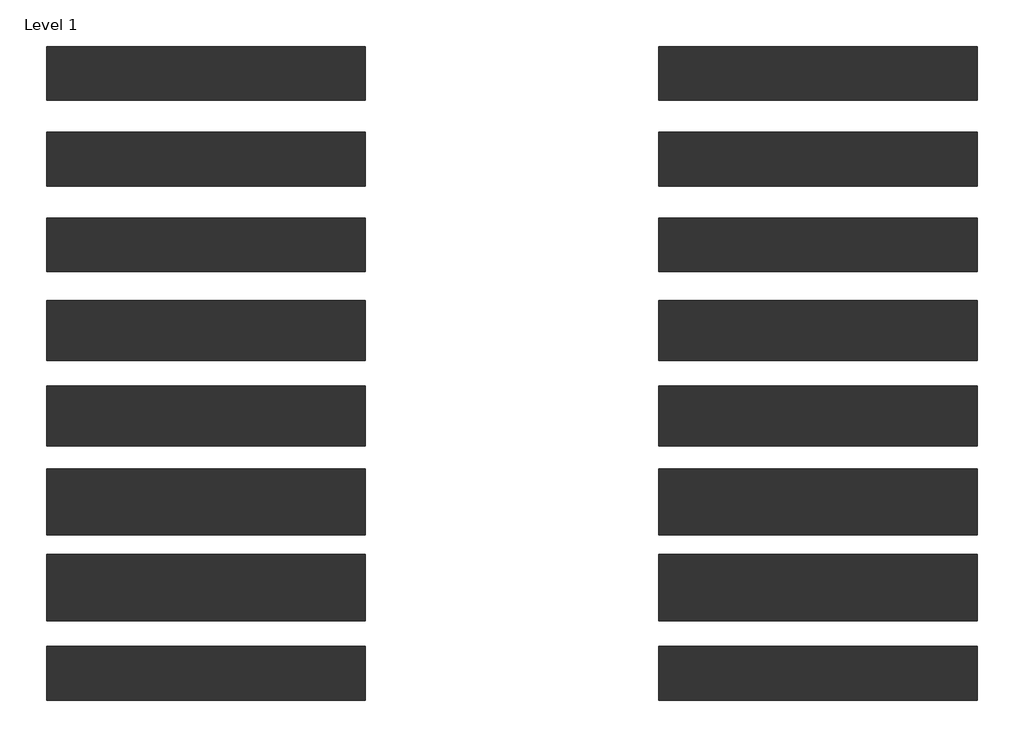
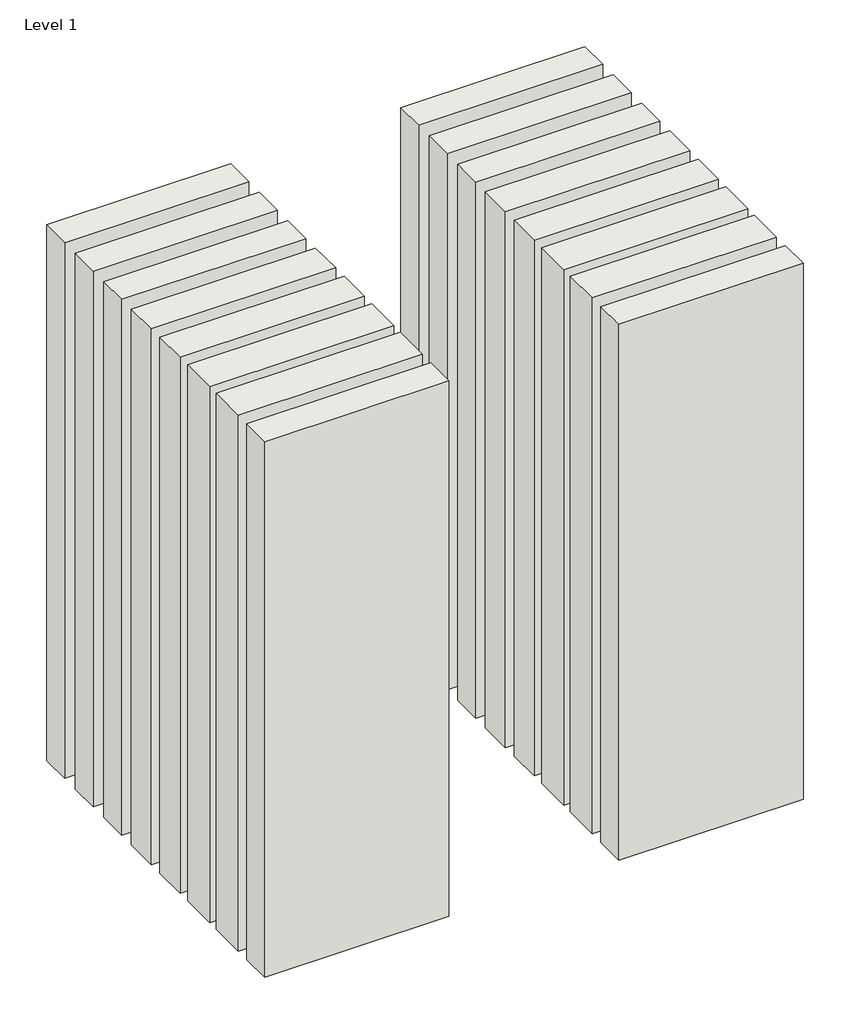
# One storey: 16 walls.
"""IFC4 building model written with IfcOpenShell, lengths in millimetres."""

from ifc_helpers import new_model, si_unit, origin, origin_with_axes, place, context, project, spatial, polyline, outline, extrude, element, save

model = new_model("IFC4")

# Units and contexts
model_context = context("Model", 3, world=origin())
ifc_project = project(units=[si_unit("LENGTHUNIT", "METRE", prefix="MILLI")], contexts=[model_context])

# Site, building, storey
site = spatial("IfcSite", under=ifc_project)
building = spatial("IfcBuilding", under=site)
storey = spatial("IfcBuildingStorey", under=building, Name="Level 1", Elevation=0.0)

# Walls
placement = place(None, origin())
element("IfcWall", 1, at=placement, inside=storey, context=model_context, shape_type="SweptSolid", body=[
    extrude(outline(polyline([(-16904.1464237, 2116.4042935), (-19504.1464237, 2116.4042935), (-19504.1464237, 2556.4042935), (-16904.1464237, 2556.4042935), (-16904.1464237, 2116.4042935)])), origin_with_axes(), (0.0, 0.0, 1.0), 8000.0),
])
element("IfcWall", 2, at=placement, inside=storey, context=model_context, shape_type="SweptSolid", body=[
    extrude(outline(polyline([(-16904.1464237, 3516.4042935), (-19504.1464237, 3516.4042935), (-19504.1464237, 3956.4042935), (-16904.1464237, 3956.4042935), (-16904.1464237, 3516.4042935)])), origin_with_axes(), (0.0, 0.0, 1.0), 8000.0),
])
element("IfcWall", 3, at=placement, inside=storey, context=model_context, shape_type="SweptSolid", body=[
    extrude(outline(polyline([(-16904.1464237, 2816.4042935), (-19504.1464237, 2816.4042935), (-19504.1464237, 3256.4042935), (-16904.1464237, 3256.4042935), (-16904.1464237, 2816.4042935)])), origin_with_axes(), (0.0, 0.0, 1.0), 8000.0),
])
element("IfcWall", 4, at=placement, inside=storey, context=model_context, shape_type="SweptSolid", body=[
    extrude(outline(polyline([(-16904.1464237, 1391.4042935), (-19504.1464237, 1391.4042935), (-19504.1464237, 1881.4042935), (-16904.1464237, 1881.4042935), (-16904.1464237, 1391.4042935)])), origin_with_axes(), (0.0, 0.0, 1.0), 8000.0),
])
element("IfcWall", 5, at=placement, inside=storey, context=model_context, shape_type="SweptSolid", body=[
    extrude(outline(polyline([(-11904.1464237, 3516.4042935), (-14504.1464237, 3516.4042935), (-14504.1464237, 3956.4042935), (-11904.1464237, 3956.4042935), (-11904.1464237, 3516.4042935)])), origin_with_axes(), (0.0, 0.0, 1.0), 8000.0),
])
element("IfcWall", 6, at=placement, inside=storey, context=model_context, shape_type="SweptSolid", body=[
    extrude(outline(polyline([(-16904.1464237, 691.4042935), (-19504.1464237, 691.4042935), (-19504.1464237, 1181.4042935), (-16904.1464237, 1181.4042935), (-16904.1464237, 691.4042935)])), origin_with_axes(), (0.0, 0.0, 1.0), 8000.0),
])
element("IfcWall", 7, at=placement, inside=storey, context=model_context, shape_type="SweptSolid", body=[
    extrude(outline(polyline([(-16904.1464237, -33.5957065), (-19504.1464237, -33.5957065), (-19504.1464237, 506.4042935), (-16904.1464237, 506.4042935), (-16904.1464237, -33.5957065)])), origin_with_axes(), (0.0, 0.0, 1.0), 8000.0),
])
element("IfcWall", 8, at=placement, inside=storey, context=model_context, shape_type="SweptSolid", body=[
    extrude(outline(polyline([(-16904.1464237, -733.5957065), (-19504.1464237, -733.5957065), (-19504.1464237, -193.5957065), (-16904.1464237, -193.5957065), (-16904.1464237, -733.5957065)])), origin_with_axes(), (0.0, 0.0, 1.0), 8000.0),
])
element("IfcWall", 9, at=placement, inside=storey, context=model_context, shape_type="SweptSolid", body=[
    extrude(outline(polyline([(-16904.1464237, -1383.5957065), (-19504.1464237, -1383.5957065), (-19504.1464237, -943.5957065), (-16904.1464237, -943.5957065), (-16904.1464237, -1383.5957065)])), origin_with_axes(), (0.0, 0.0, 1.0), 8000.0),
])
element("IfcWall", 10, at=placement, inside=storey, context=model_context, shape_type="SweptSolid", body=[
    extrude(outline(polyline([(-11904.1464237, 2116.4042935), (-14504.1464237, 2116.4042935), (-14504.1464237, 2556.4042935), (-11904.1464237, 2556.4042935), (-11904.1464237, 2116.4042935)])), origin_with_axes(), (0.0, 0.0, 1.0), 8000.0),
])
element("IfcWall", 11, at=placement, inside=storey, context=model_context, shape_type="SweptSolid", body=[
    extrude(outline(polyline([(-11904.1464237, 2816.4042935), (-14504.1464237, 2816.4042935), (-14504.1464237, 3256.4042935), (-11904.1464237, 3256.4042935), (-11904.1464237, 2816.4042935)])), origin_with_axes(), (0.0, 0.0, 1.0), 8000.0),
])
element("IfcWall", 12, at=placement, inside=storey, context=model_context, shape_type="SweptSolid", body=[
    extrude(outline(polyline([(-11904.1464237, 1391.4042935), (-14504.1464237, 1391.4042935), (-14504.1464237, 1881.4042935), (-11904.1464237, 1881.4042935), (-11904.1464237, 1391.4042935)])), origin_with_axes(), (0.0, 0.0, 1.0), 8000.0),
])
element("IfcWall", 13, at=placement, inside=storey, context=model_context, shape_type="SweptSolid", body=[
    extrude(outline(polyline([(-11904.1464237, 691.4042935), (-14504.1464237, 691.4042935), (-14504.1464237, 1181.4042935), (-11904.1464237, 1181.4042935), (-11904.1464237, 691.4042935)])), origin_with_axes(), (0.0, 0.0, 1.0), 8000.0),
])
element("IfcWall", 14, at=placement, inside=storey, context=model_context, shape_type="SweptSolid", body=[
    extrude(outline(polyline([(-11904.1464237, -33.5957065), (-14504.1464237, -33.5957065), (-14504.1464237, 506.4042935), (-11904.1464237, 506.4042935), (-11904.1464237, -33.5957065)])), origin_with_axes(), (0.0, 0.0, 1.0), 8000.0),
])
element("IfcWall", 15, at=placement, inside=storey, context=model_context, shape_type="SweptSolid", body=[
    extrude(outline(polyline([(-11904.1464237, -733.5957065), (-14504.1464237, -733.5957065), (-14504.1464237, -193.5957065), (-11904.1464237, -193.5957065), (-11904.1464237, -733.5957065)])), origin_with_axes(), (0.0, 0.0, 1.0), 8000.0),
])
element("IfcWall", 16, at=placement, inside=storey, context=model_context, shape_type="SweptSolid", body=[
    extrude(outline(polyline([(-11904.1464237, -1383.5957065), (-14504.1464237, -1383.5957065), (-14504.1464237, -943.5957065), (-11904.1464237, -943.5957065), (-11904.1464237, -1383.5957065)])), origin_with_axes(), (0.0, 0.0, 1.0), 8000.0),
])

save(model, "model.ifc")
